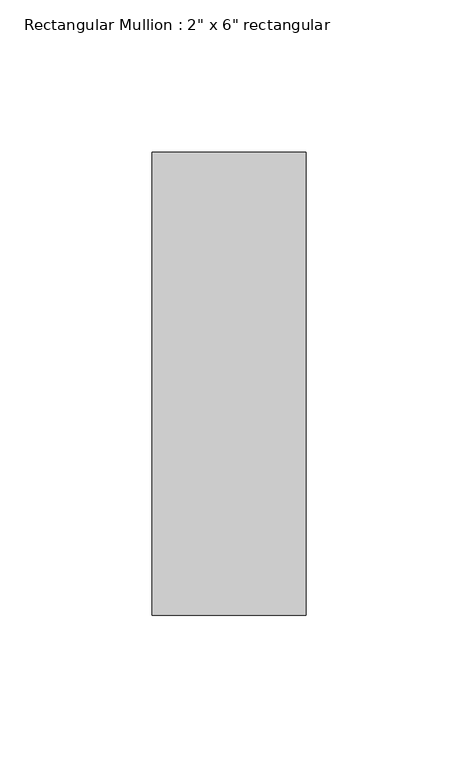
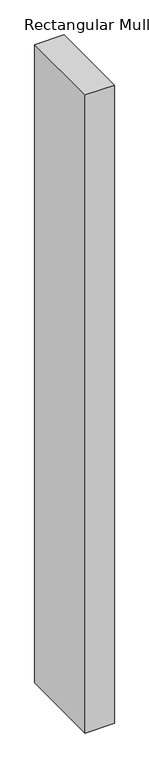
"""IFC4 building model written with IfcOpenShell, lengths in millimetres: member geometry."""

from ifc_helpers import new_model, si_unit, frame, origin, place, context, project, spatial, polyline, outline, extrude, source, transform, mapped, element, save


def member_0217ca44(model_context):
    return source(origin(), model_context, "Body", "SweptSolid", [
        extrude(outline(polyline([(0.0, 76.2), (0.0, -76.2), (-50.8, -76.2), (-50.8, 76.2), (0.0, 76.2)])), frame((0.0, 0.0, -1176.8666667), z_axis=(0.0, 0.0, 1.0), x_axis=(1.0, 0.0, 0.0)), (0.0, 0.0, 1.0), 1176.8666667),
    ])


if __name__ == "__main__":
    model = new_model("IFC4")
    model_context = context("Model", 3, world=origin())
    ifc_project = project(units=[si_unit("LENGTHUNIT", "METRE", prefix="MILLI")], contexts=[model_context])
    site = spatial("IfcSite", under=ifc_project)
    building = spatial("IfcBuilding", under=site)
    placement = place(None, origin())
    member_shape = member_0217ca44(model_context)
    element("IfcMember", 1, ObjectType="Rectangular Mullion : 2\" x 6\" rectangular", at=placement, inside=building, context=model_context, shape_type="MappedRepresentation", body=[
        mapped(member_shape, transform((0.0, 0.0, 0.0), x_axis=(1.0, 0.0, 0.0), y_axis=(0.0, 1.0, 0.0), z_axis=(0.0, 0.0, 1.0))),
    ])
    save(model, "model.ifc")
